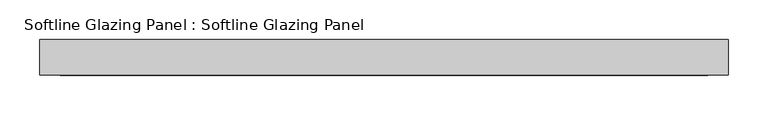
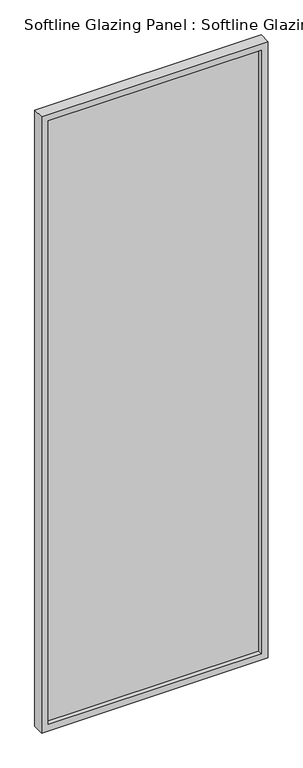
"""IFC4 building model written with IfcOpenShell, lengths in millimetres: plate geometry, Softline Glazing Panel : Softline Glazing Panel."""

from ifc_helpers import new_model, si_unit, frame, origin, place, context, project, spatial, polyline, outline, extrude, faceted_brep, source, transform, mapped, element, save


def softline_glazing_panel_softline_glazing_panel_97444333(model_context):
    return source(origin(), model_context, "Body", "SolidModel", [
        extrude(outline(polyline([(419.0, 4.0), (419.0, -4.0), (-419.0, -4.0), (-419.0, 4.0), (419.0, 4.0)])), frame((0.0, 0.0, 16.0), z_axis=(0.0, 0.0, 1.0), x_axis=(1.0, 0.0, 0.0)), (0.0, 0.0, 1.0), 2468.0),
        faceted_brep([(409.0, 4.0, 26.0), (409.0, 22.5, 26.0), (-409.0, 22.5, 26.0), (-409.0, 4.0, 26.0), (419.0, -4.0, 16.0), (419.0, 4.0, 16.0), (-419.0, 4.0, 16.0), (-419.0, -4.0, 16.0), (409.0, -22.5, 26.0), (409.0, -4.0, 26.0), (-409.0, -4.0, 26.0), (-409.0, -22.5, 26.0), (435.0, 22.5, 0.0), (435.0, -22.5, 0.0), (-435.0, -22.5, 0.0), (-435.0, 22.5, 0.0), (-409.0, 22.5, 2474.0), (-409.0, 4.0, 2474.0), (-419.0, 4.0, 2484.0), (-419.0, -4.0, 2484.0), (-409.0, -4.0, 2474.0), (-409.0, -22.5, 2474.0), (-435.0, -22.5, 2500.0), (-435.0, 22.5, 2500.0), (409.0, 22.5, 2474.0), (409.0, 4.0, 2474.0), (419.0, 4.0, 2484.0), (419.0, -4.0, 2484.0), (409.0, -4.0, 2474.0), (409.0, -22.5, 2474.0), (435.0, -22.5, 2500.0), (435.0, 22.5, 2500.0)], [[[0, 1, 2, 3]], [[4, 5, 6, 7]], [[8, 9, 10, 11]], [[12, 13, 14, 15]], [[3, 2, 16, 17]], [[7, 6, 18, 19]], [[11, 10, 20, 21]], [[15, 14, 22, 23]], [[17, 16, 24, 25]], [[19, 18, 26, 27]], [[21, 20, 28, 29]], [[23, 22, 30, 31]], [[15, 23, 31, 12], [1, 24, 16, 2]], [[25, 24, 1, 0]], [[5, 26, 18, 6], [3, 17, 25, 0]], [[27, 26, 5, 4]], [[7, 19, 27, 4], [9, 28, 20, 10]], [[29, 28, 9, 8]], [[13, 30, 22, 14], [11, 21, 29, 8]], [[31, 30, 13, 12]]]),
    ])


if __name__ == "__main__":
    model = new_model("IFC4")
    model_context = context("Model", 3, world=origin())
    ifc_project = project(units=[si_unit("LENGTHUNIT", "METRE", prefix="MILLI")], contexts=[model_context])
    site = spatial("IfcSite", under=ifc_project)
    building = spatial("IfcBuilding", under=site)
    placement = place(None, origin())
    softline_glazing_panel_softline_glazing_panel_shape = softline_glazing_panel_softline_glazing_panel_97444333(model_context)
    element("IfcPlate", 1, ObjectType="Softline Glazing Panel : Softline Glazing Panel", at=placement, inside=building, context=model_context, shape_type="MappedRepresentation", body=[
        mapped(softline_glazing_panel_softline_glazing_panel_shape, transform((0.0, 0.0, 0.0), x_axis=(1.0, 0.0, 0.0), y_axis=(0.0, 1.0, 0.0), z_axis=(0.0, 0.0, 1.0))),
    ])
    save(model, "model.ifc")
